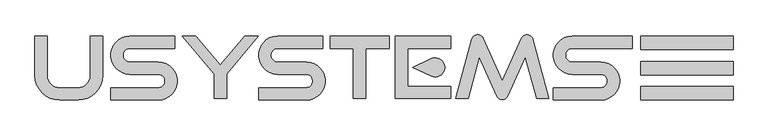
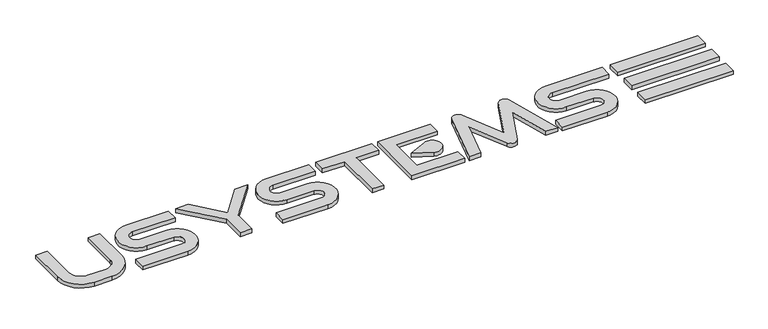
"""IFC4 building model written with IfcOpenShell, lengths in millimetres: proxy geometry."""

from ifc_helpers import new_model, si_unit, point, frame_2d, origin, origin_with_axes, place, context, project, spatial, polyline, circle_curve, trimmed, segment, composite_curve, outline, extrude, source, transform, mapped, element, save


def entourage_b38fe41e(model_context):
    return source(origin(), model_context, "Body", "SweptSolid", [
        extrude(outline(composite_curve([segment(trimmed(circle_curve(frame_2d((2431.783196, 3546.4393066)), 75.5751224), [point((2399.8437692, 3614.9336286))], [point((2503.8389296, 3569.2333932))], False, "CARTESIAN"), True, "CONTINUOUS"), segment(trimmed(circle_curve(frame_2d((2425.2660707, 3544.3776814)), 82.410561), [point((2503.8389296, 3569.2333932))], [point((2503.8389296, 3519.5219696))], False, "CARTESIAN"), True, "CONTINUOUS"), segment(trimmed(circle_curve(frame_2d((2431.783196, 3542.3160562)), 75.5751224), [point((2503.8389296, 3519.5219696))], [point((2399.8437692, 3473.8217342))], False, "CARTESIAN"), True, "CONTINUOUS"), segment(polyline([(2399.8437692, 3473.8217342), (2248.5360522, 3544.3776814), (2399.8437692, 3614.9336286)]), True, "CONTINUOUS")], self_intersect=False)), origin_with_axes(), (0.0, 0.0, 1.0), 35.0),
        extrude(outline(polyline([(4098.5360522, 3688.0959677), (4098.5360522, 3798.0959677), (4848.5360522, 3798.0959677), (4848.5360522, 3688.0959677), (4098.5360522, 3688.0959677)])), origin_with_axes(), (0.0, 0.0, 1.0), 35.0),
        extrude(outline(polyline([(4098.5360522, 3278.0959677), (4098.5360522, 3388.0959677), (4848.5360522, 3388.0959677), (4848.5360522, 3278.0959677), (4098.5360522, 3278.0959677)])), origin_with_axes(), (0.0, 0.0, 1.0), 35.0),
        extrude(outline(polyline([(4098.5360522, 3483.0959677), (4098.5360522, 3593.0959677), (4848.5360522, 3593.0959677), (4848.5360522, 3483.0959677), (4098.5360522, 3483.0959677)])), origin_with_axes(), (0.0, 0.0, 1.0), 35.0),
        extrude(outline(composite_curve([segment(polyline([(-716.4639478, 3798.0959677), (-716.4639478, 3478.0959677)]), True, "CONTINUOUS"), segment(trimmed(circle_curve(frame_2d((-616.4639478, 3478.0959677)), 100.0), [point((-716.4639478, 3478.0959677))], [point((-616.4639478, 3378.0959677))], True, "CARTESIAN"), True, "CONTINUOUS"), segment(polyline([(-616.4639478, 3378.0959677), (-466.4639478, 3378.0959677)]), True, "CONTINUOUS"), segment(trimmed(circle_curve(frame_2d((-466.4639478, 3478.0959677)), 100.0), [point((-466.4639478, 3378.0959677))], [point((-366.4639478, 3478.0959677))], True, "CARTESIAN"), True, "CONTINUOUS"), segment(polyline([(-366.4639478, 3478.0959677), (-366.4639478, 3798.0959677), (-266.4639478, 3798.0959677), (-266.4639478, 3478.0959677)]), True, "CONTINUOUS"), segment(trimmed(circle_curve(frame_2d((-466.4639478, 3478.0959677)), 200.0), [point((-266.4639478, 3478.0959677))], [point((-466.4639478, 3278.0959677))], False, "CARTESIAN"), True, "CONTINUOUS"), segment(polyline([(-466.4639478, 3278.0959677), (-616.4639478, 3278.0959677)]), True, "CONTINUOUS"), segment(trimmed(circle_curve(frame_2d((-616.4639478, 3478.0959677)), 200.0), [point((-616.4639478, 3278.0959677))], [point((-816.4639478, 3478.0959677))], False, "CARTESIAN"), True, "CONTINUOUS"), segment(polyline([(-816.4639478, 3478.0959677), (-816.4639478, 3798.0959677), (-716.4639478, 3798.0959677)]), True, "CONTINUOUS")], self_intersect=False)), origin_with_axes(), (0.0, 0.0, 1.0), 35.0),
        extrude(outline(composite_curve([segment(polyline([(318.5360522, 3698.0959677), (-46.4639478, 3698.0959677)]), True, "CONTINUOUS"), segment(trimmed(circle_curve(frame_2d((-46.4639478, 3643.0959677)), 55.0), [point((-46.4639478, 3698.0959677))], [point((-46.4639478, 3588.0959677))], True, "CARTESIAN"), True, "CONTINUOUS"), segment(polyline([(-46.4639478, 3588.0959677), (183.5360522, 3588.0959677)]), True, "CONTINUOUS"), segment(trimmed(circle_curve(frame_2d((183.5360522, 3433.0959677)), 155.0), [point((183.5360522, 3588.0959677))], [point((183.5360522, 3278.0959677))], False, "CARTESIAN"), True, "CONTINUOUS"), segment(polyline([(183.5360522, 3278.0959677), (-201.4639478, 3278.0959677), (-201.4639478, 3378.0959677), (183.5360522, 3378.0959677)]), True, "CONTINUOUS"), segment(trimmed(circle_curve(frame_2d((183.5360522, 3433.0959677)), 55.0), [point((183.5360522, 3378.0959677))], [point((183.5360522, 3488.0959677))], True, "CARTESIAN"), True, "CONTINUOUS"), segment(polyline([(183.5360522, 3488.0959677), (-46.4639478, 3488.0959677)]), True, "CONTINUOUS"), segment(trimmed(circle_curve(frame_2d((-46.4639478, 3643.0959677)), 155.0), [point((-46.4639478, 3488.0959677))], [point((-46.4639478, 3798.0959677))], False, "CARTESIAN"), True, "CONTINUOUS"), segment(polyline([(-46.4639478, 3798.0959677), (318.5360522, 3798.0959677), (318.5360522, 3698.0959677)]), True, "CONTINUOUS")], self_intersect=False)), origin_with_axes(), (0.0, 0.0, 1.0), 35.0),
        extrude(outline(polyline([(738.4858606, 3290.6593951), (638.4858606, 3290.6593951), (638.4858606, 3490.6593951), (380.5159459, 3798.0959677), (490.5159459, 3798.0959677), (688.4858606, 3562.1646107), (886.4557752, 3798.0959677), (996.4557752, 3798.0959677), (738.4858606, 3490.6593951), (738.4858606, 3290.6593951)])), origin_with_axes(), (0.0, 0.0, 1.0), 35.0),
        extrude(outline(composite_curve([segment(polyline([(1518.5360522, 3698.0959677), (1153.5360522, 3698.0959677)]), True, "CONTINUOUS"), segment(trimmed(circle_curve(frame_2d((1153.5360522, 3643.0959677)), 55.0), [point((1153.5360522, 3698.0959677))], [point((1153.5360522, 3588.0959677))], True, "CARTESIAN"), True, "CONTINUOUS"), segment(polyline([(1153.5360522, 3588.0959677), (1383.5360522, 3588.0959677)]), True, "CONTINUOUS"), segment(trimmed(circle_curve(frame_2d((1383.5360522, 3433.0959677)), 155.0), [point((1383.5360522, 3588.0959677))], [point((1383.5360522, 3278.0959677))], False, "CARTESIAN"), True, "CONTINUOUS"), segment(polyline([(1383.5360522, 3278.0959677), (998.5360522, 3278.0959677), (998.5360522, 3378.0959677), (1383.5360522, 3378.0959677)]), True, "CONTINUOUS"), segment(trimmed(circle_curve(frame_2d((1383.5360522, 3433.0959677)), 55.0), [point((1383.5360522, 3378.0959677))], [point((1383.5360522, 3488.0959677))], True, "CARTESIAN"), True, "CONTINUOUS"), segment(polyline([(1383.5360522, 3488.0959677), (1153.5360522, 3488.0959677)]), True, "CONTINUOUS"), segment(trimmed(circle_curve(frame_2d((1153.5360522, 3643.0959677)), 155.0), [point((1153.5360522, 3488.0959677))], [point((1153.5360522, 3798.0959677))], False, "CARTESIAN"), True, "CONTINUOUS"), segment(polyline([(1153.5360522, 3798.0959677), (1518.5360522, 3798.0959677), (1518.5360522, 3698.0959677)]), True, "CONTINUOUS")], self_intersect=False)), origin_with_axes(), (0.0, 0.0, 1.0), 35.0),
        extrude(outline(polyline([(1868.4858606, 3290.6593951), (1768.4858606, 3290.6593951), (1768.4858606, 3698.0959677), (1578.5360522, 3698.0959677), (1578.5360522, 3798.0959677), (2058.5360522, 3798.0959677), (2058.5360522, 3698.0959677), (1868.4858606, 3698.0959677), (1868.4858606, 3290.6593951)])), origin_with_axes(), (0.0, 0.0, 1.0), 35.0),
        extrude(outline(polyline([(2558.5360522, 3798.0959677), (2558.5360522, 3698.0959677), (2208.5360522, 3698.0959677), (2208.5360522, 3390.6593951), (2558.5360522, 3390.6593951), (2558.5360522, 3290.6593951), (2108.5360522, 3290.6593951), (2108.5360522, 3798.0959677), (2558.5360522, 3798.0959677)])), origin_with_axes(), (0.0, 0.0, 1.0), 35.0),
        extrude(outline(composite_curve([segment(polyline([(2698.5360522, 3290.6593951), (2598.5360522, 3290.6593951), (2727.7209136, 3772.7838614)]), True, "CONTINUOUS"), segment(trimmed(circle_curve(frame_2d((2776.0172049, 3759.8429092)), 50.0), [point((2727.7209136, 3772.7838614))], [point((2821.6944778, 3780.1797413))], False, "CARTESIAN"), True, "CONTINUOUS"), segment(polyline([(2821.6944778, 3780.1797413), (2976.2215738, 3433.1062012), (3130.7486698, 3780.1797413)]), True, "CONTINUOUS"), segment(trimmed(circle_curve(frame_2d((3176.4259427, 3759.8429092)), 50.0), [point((3130.7486698, 3780.1797413))], [point((3224.722234, 3772.7838614))], False, "CARTESIAN"), True, "CONTINUOUS"), segment(polyline([(3224.722234, 3772.7838614), (3353.9070954, 3290.6593951), (3253.9070954, 3290.6593951), (3163.3204296, 3628.7334343), (3021.8988467, 3311.0953584)]), True, "CONTINUOUS"), segment(trimmed(circle_curve(frame_2d((2976.2215738, 3331.4321906)), 50.0), [point((3021.8988467, 3311.0953584))], [point((2930.5443009, 3311.0953584))], False, "CARTESIAN"), True, "CONTINUOUS"), segment(polyline([(2930.5443009, 3311.0953584), (2789.122718, 3628.7334343), (2698.5360522, 3290.6593951)]), True, "CONTINUOUS")], self_intersect=False)), origin_with_axes(), (0.0, 0.0, 1.0), 35.0),
        extrude(outline(composite_curve([segment(polyline([(4028.5360522, 3698.0959677), (3543.5360522, 3698.0959677)]), True, "CONTINUOUS"), segment(trimmed(circle_curve(frame_2d((3543.5360522, 3643.0959677)), 55.0), [point((3543.5360522, 3698.0959677))], [point((3543.5360522, 3588.0959677))], True, "CARTESIAN"), True, "CONTINUOUS"), segment(polyline([(3543.5360522, 3588.0959677), (3773.5360522, 3588.0959677)]), True, "CONTINUOUS"), segment(trimmed(circle_curve(frame_2d((3773.5360522, 3433.0959677)), 155.0), [point((3773.5360522, 3588.0959677))], [point((3773.5360522, 3278.0959677))], False, "CARTESIAN"), True, "CONTINUOUS"), segment(polyline([(3773.5360522, 3278.0959677), (3388.5360522, 3278.0959677), (3388.5360522, 3378.0959677), (3773.5360522, 3378.0959677)]), True, "CONTINUOUS"), segment(trimmed(circle_curve(frame_2d((3773.5360522, 3433.0959677)), 55.0), [point((3773.5360522, 3378.0959677))], [point((3773.5360522, 3488.0959677))], True, "CARTESIAN"), True, "CONTINUOUS"), segment(polyline([(3773.5360522, 3488.0959677), (3543.5360522, 3488.0959677)]), True, "CONTINUOUS"), segment(trimmed(circle_curve(frame_2d((3543.5360522, 3643.0959677)), 155.0), [point((3543.5360522, 3488.0959677))], [point((3543.5360522, 3798.0959677))], False, "CARTESIAN"), True, "CONTINUOUS"), segment(polyline([(3543.5360522, 3798.0959677), (4028.5360522, 3798.0959677), (4028.5360522, 3698.0959677)]), True, "CONTINUOUS")], self_intersect=False)), origin_with_axes(), (0.0, 0.0, 1.0), 35.0),
    ])


if __name__ == "__main__":
    model = new_model("IFC4")
    model_context = context("Model", 3, world=origin())
    ifc_project = project(units=[si_unit("LENGTHUNIT", "METRE", prefix="MILLI")], contexts=[model_context])
    site = spatial("IfcSite", under=ifc_project)
    building = spatial("IfcBuilding", under=site)
    placement = place(None, origin())
    entourage_shape = entourage_b38fe41e(model_context)
    element("IfcBuildingElementProxy", 1, Name="Entourage", at=placement, inside=building, context=model_context, shape_type="MappedRepresentation", body=[
        mapped(entourage_shape, transform((0.0, 0.0, 0.0), x_axis=(1.0, 0.0, 0.0), y_axis=(0.0, 1.0, 0.0), z_axis=(0.0, 0.0, 1.0))),
    ])
    save(model, "model.ifc")
